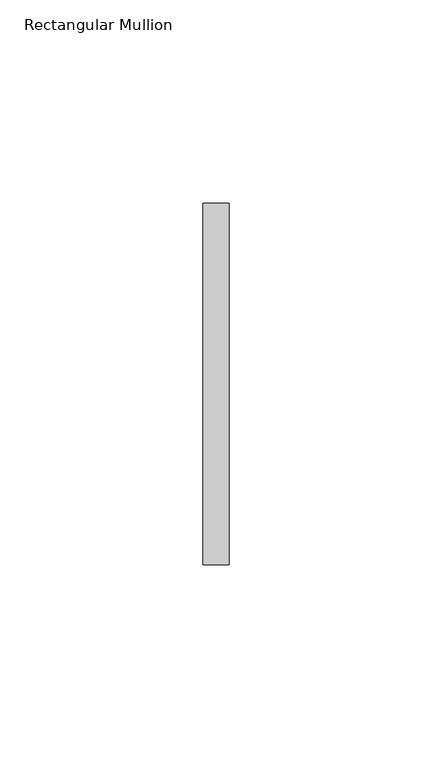
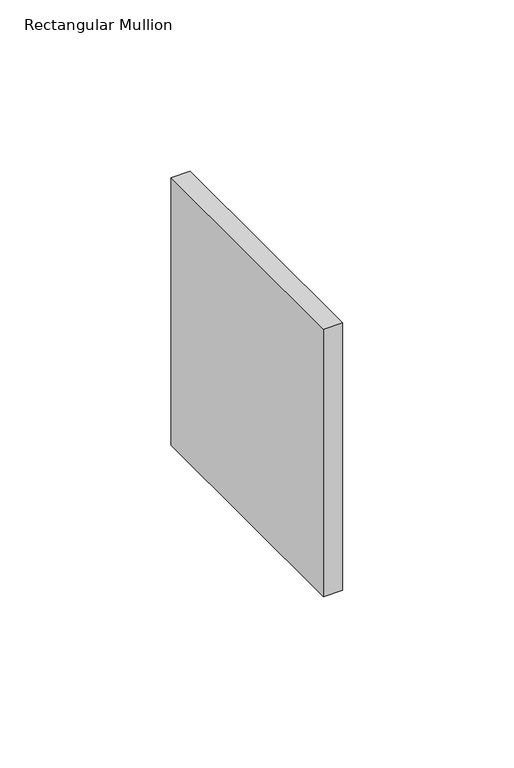
"""IFC4 building model written with IfcOpenShell, lengths in millimetres: member geometry, Rectangular Mullion."""

from ifc_helpers import new_model, si_unit, frame, origin, place, context, project, spatial, polyline, outline, extrude, source, transform, mapped, element, save


def rectangular_mullion_0dd7d814(model_context):
    return source(origin(), model_context, "Body", "SweptSolid", [
        extrude(outline(polyline([(0.0, 44.45), (0.0, -44.45), (-6.35, -44.45), (-6.35, 44.45), (0.0, 44.45)])), frame((0.0, 0.0, -95.2499997), z_axis=(0.0, 0.0, 1.0), x_axis=(1.0, 0.0, 0.0)), (0.0, 0.0, 1.0), 95.2499997),
    ])


if __name__ == "__main__":
    model = new_model("IFC4")
    model_context = context("Model", 3, world=origin())
    ifc_project = project(units=[si_unit("LENGTHUNIT", "METRE", prefix="MILLI")], contexts=[model_context])
    site = spatial("IfcSite", under=ifc_project)
    building = spatial("IfcBuilding", under=site)
    placement = place(None, origin())
    rectangular_mullion_shape = rectangular_mullion_0dd7d814(model_context)
    element("IfcMember", 1, ObjectType="Rectangular Mullion", at=placement, inside=building, context=model_context, shape_type="MappedRepresentation", body=[
        mapped(rectangular_mullion_shape, transform((0.0, 0.0, 0.0), x_axis=(1.0, 0.0, 0.0), y_axis=(0.0, 1.0, 0.0), z_axis=(0.0, 0.0, 1.0))),
    ])
    save(model, "model.ifc")
